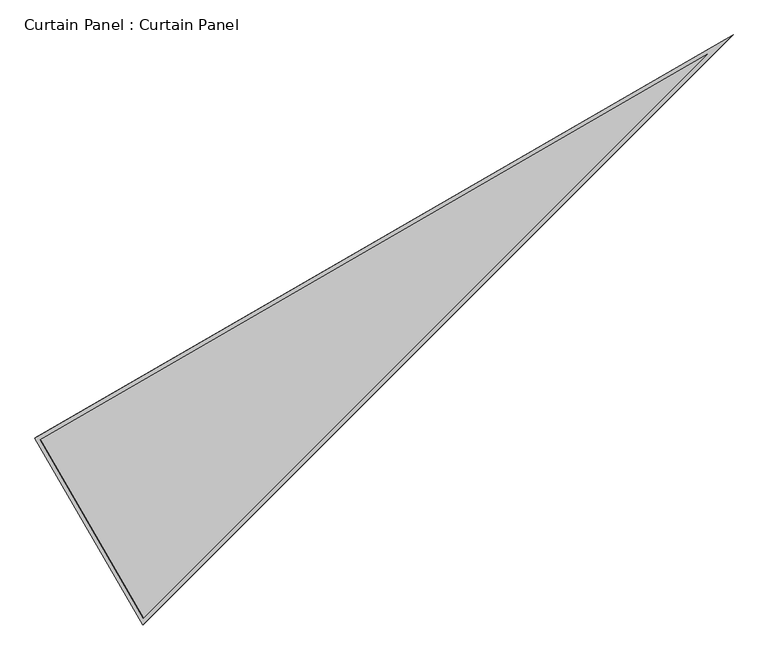
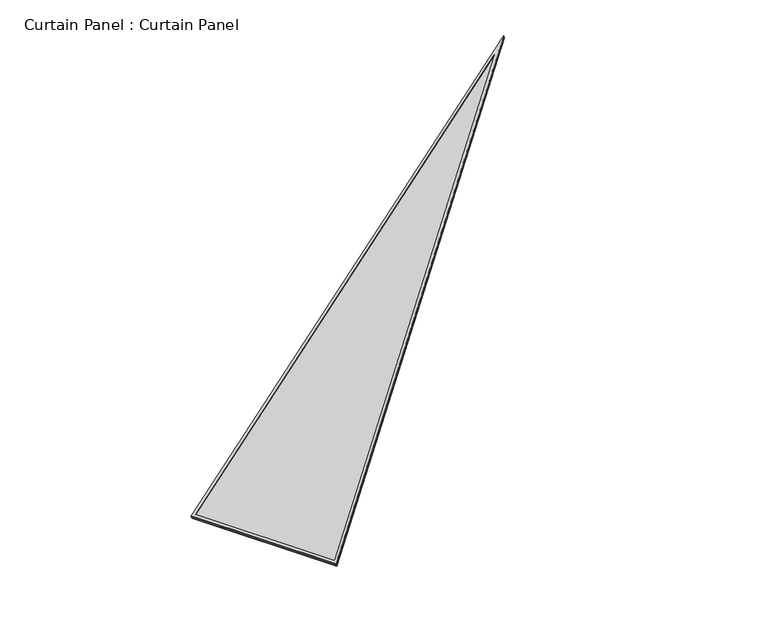
"""IFC4 building model written with IfcOpenShell, lengths in millimetres: plate geometry, Curtain Panel : Curtain Panel."""

from ifc_helpers import new_model, si_unit, frame, origin, place, context, project, spatial, polyline, outline, extrude, source, transform, mapped, element, save


def curtain_panel_curtain_panel_a3def727(model_context):
    return source(origin(), model_context, "Body", "SweptSolid", [
        extrude(outline(polyline([(895.917553, 0.0), (895.917553, -3524.3727628), (0.0, 0.0), (895.917553, 0.0)]), holes=[polyline([(879.2547551, -16.6627978), (21.4285394, -16.6627979), (879.2547551, -3391.1913355), (879.2547551, -16.6627978)])]), frame((7407.4551846, -3522.9951139, 898.7323524), z_axis=(-0.2737903148616802, -0.1580729119868968, 0.9487106081329149), x_axis=(-0.49999999999999334, 0.8660254037844426, 0.0)), (0.0, 0.0, 1.0), 4.8180625),
        extrude(outline(polyline([(895.917553, 0.0), (895.9175529, -3524.3727629), (0.0, 0.0), (895.917553, 0.0)]), holes=[polyline([(885.6047551, -10.3127979), (13.2623702, -10.3127979), (885.6047551, -3441.9452408), (885.6047551, -10.3127979)])]), frame((7412.2905782, -3520.2033981, 881.9772337), z_axis=(-0.27379031486168104, -0.15807291198689724, 0.9487106081329144), x_axis=(-0.49999999999999356, 0.8660254037844425, 0.0)), (0.0, 0.0, 1.0), 4.8085375),
        extrude(outline(polyline([(20.183654, 1e-07), (916.1012071, 1e-07), (916.101207, -3524.3727628), (20.183654, 1e-07)])), frame((7421.1110723, -3538.4169597, 886.3825287), z_axis=(-0.2737903148616804, -0.15807291198690102, 0.9487106081329141), x_axis=(-0.4999999999999951, 0.8660254037844415, 0.0)), (0.0, 0.0, 1.0), 12.9796129),
    ])


if __name__ == "__main__":
    model = new_model("IFC4")
    model_context = context("Model", 3, world=origin())
    ifc_project = project(units=[si_unit("LENGTHUNIT", "METRE", prefix="MILLI")], contexts=[model_context])
    site = spatial("IfcSite", under=ifc_project)
    building = spatial("IfcBuilding", under=site)
    placement = place(None, origin())
    curtain_panel_curtain_panel_shape = curtain_panel_curtain_panel_a3def727(model_context)
    element("IfcPlate", 1, ObjectType="Curtain Panel : Curtain Panel", at=placement, inside=building, context=model_context, shape_type="MappedRepresentation", body=[
        mapped(curtain_panel_curtain_panel_shape, transform((0.0, 0.0, 0.0), x_axis=(1.0, 0.0, 0.0), y_axis=(0.0, 1.0, 0.0), z_axis=(0.0, 0.0, 1.0))),
    ])
    save(model, "model.ifc")
